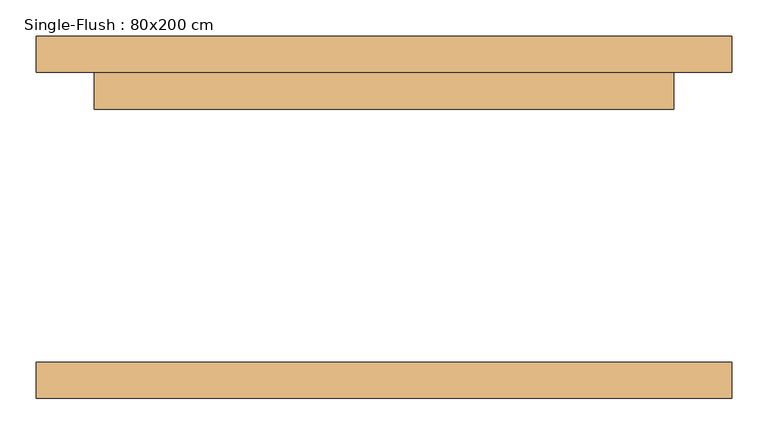
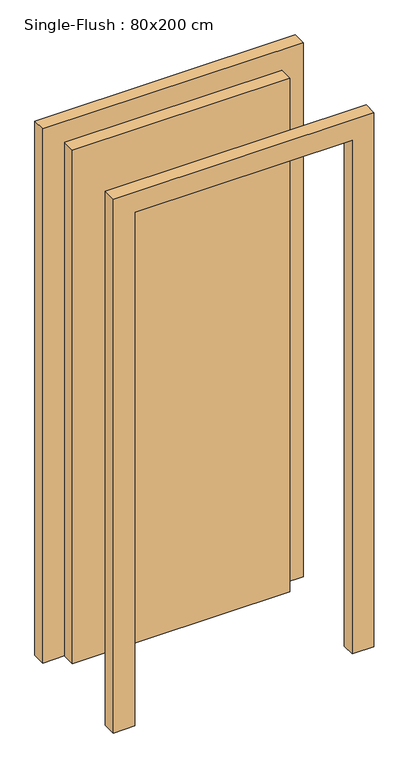
"""IFC4 building model written with IfcOpenShell, lengths in millimetres: door geometry, Single-Flush : 80x200 cm."""

import ifcopenshell
import ifcopenshell.guid

model = None  # the IFC model being written
_history = None  # IfcOwnerHistory: only IFC2X3 demands one
_inside = {}  # id of a spatial element -> (the spatial element, [elements in it])
_under = {}  # id of a project, library or spatial element -> (it, [spatial elements below it])
_declared = {}  # id of a project -> (the project, [libraries it declares])
_typed = {}  # id of a type object -> (the type object, [elements of that type])
_made_of = {}  # id of a material, layer set ... -> (it, [elements and type objects made of it])


def new_model(schema):
    """Start an empty IFC model of exactly this schema.

    Asked for "IFC4X3", IfcOpenShell would pick the latest addendum, in which some entities
    have other attributes; the version numbers below select the first issue.
    IFC2X3 requires an IfcOwnerHistory on every rooted entity: one is made here for all.
    """
    global model, _history
    if schema == "IFC4X3":
        model = ifcopenshell.file(schema_version=(4, 3, 0, 0))
    else:
        model = ifcopenshell.file(schema=schema)
    _inside.clear()
    _under.clear()
    _declared.clear()
    _typed.clear()
    _made_of.clear()
    _history = None
    if model.schema == "IFC2X3":
        org = make("IfcOrganization", Name="unknown")
        user = make(
            "IfcPersonAndOrganization",
            ThePerson=make("IfcPerson", FamilyName="unknown"),
            TheOrganization=org,
        )
        app = make(
            "IfcApplication",
            ApplicationDeveloper=org,
            Version="unknown",
            ApplicationFullName="unknown",
            ApplicationIdentifier="unknown",
        )
        _history = make(
            "IfcOwnerHistory",
            OwningUser=user,
            OwningApplication=app,
            ChangeAction="ADDED",
            CreationDate=0,
        )
    return model


def make(cls, **values):
    """One entity of the class cls with the attributes given. An attribute that is None is left unset."""
    return model.create_entity(
        cls, **{name: value for name, value in values.items() if value is not None}
    )


def rooted(cls, **values):
    """An entity with a GlobalId (a new one), such as an element, a storey or a relation."""
    return make(cls, GlobalId=ifcopenshell.guid.new(), OwnerHistory=_history, **values)


def si_unit(unit_type, name, prefix=None):
    """IfcSIUnit, for example si_unit("LENGTHUNIT", "METRE", prefix="MILLI")."""
    return make("IfcSIUnit", UnitType=unit_type, Prefix=prefix, Name=name)


def assignment(units):
    """IfcUnitAssignment: the units of a project."""
    return None if units is None else make("IfcUnitAssignment", Units=units)


def point(xyz):
    """IfcCartesianPoint."""
    return None if xyz is None else make("IfcCartesianPoint", Coordinates=xyz)


def direction(xyz):
    """IfcDirection."""
    return None if xyz is None else make("IfcDirection", DirectionRatios=xyz)


def frame(location, z_axis=None, x_axis=None):
    """IfcAxis2Placement3D, a coordinate frame: its origin and axes. An axis left out is left unset."""
    return make(
        "IfcAxis2Placement3D",
        Location=point(location),
        Axis=direction(z_axis),
        RefDirection=direction(x_axis),
    )


def origin():
    """The frame at (0, 0, 0) with its axes left unset."""
    return frame((0.0, 0.0, 0.0))


def origin_with_axes():
    """The frame at (0, 0, 0) with the z axis (0, 0, 1) and the x axis (1, 0, 0) written out."""
    return frame((0.0, 0.0, 0.0), z_axis=(0.0, 0.0, 1.0), x_axis=(1.0, 0.0, 0.0))


def place(relative_to, where):
    """IfcLocalPlacement: puts the frame where relative to a parent placement (None: the world)."""
    return make(
        "IfcLocalPlacement", PlacementRelTo=relative_to, RelativePlacement=where
    )


def context(
    kind, dimensions, precision=None, world=None, true_north=None, identifier=None
):
    """IfcGeometricRepresentationContext, for example the 3D "Model" context."""
    return make(
        "IfcGeometricRepresentationContext",
        ContextIdentifier=identifier,
        ContextType=kind,
        CoordinateSpaceDimension=dimensions,
        Precision=precision,
        WorldCoordinateSystem=world,
        TrueNorth=true_north,
    )


def project(units=None, contexts=None):
    """IfcProject with its units and contexts."""
    return rooted(
        "IfcProject",
        Name="project",
        RepresentationContexts=contexts,
        UnitsInContext=assignment(units),
    )


def spatial(cls, under=None, at=None, **own):
    """A site, building, storey or space (cls), placed at a placement, below another one or the project."""
    s = rooted(cls, ObjectPlacement=at, **own)
    if under is not None:
        _under.setdefault(under.id(), (under, []))[1].append(s)
    return s


def polyline(points):
    """IfcPolyline through the points."""
    return make("IfcPolyline", Points=[point(p) for p in points])


def outline(outer, holes=None, kind="AREA"):
    """IfcArbitraryClosedProfileDef: a profile drawn as a closed curve; with holes, ...WithVoids."""
    if holes is None:
        return make("IfcArbitraryClosedProfileDef", ProfileType=kind, OuterCurve=outer)
    return make(
        "IfcArbitraryProfileDefWithVoids",
        ProfileType=kind,
        OuterCurve=outer,
        InnerCurves=holes,
    )


def extrude(swept, where, along, depth):
    """IfcExtrudedAreaSolid: the profile swept, set in the frame where, extruded along a direction by depth."""
    return make(
        "IfcExtrudedAreaSolid",
        SweptArea=swept,
        Position=where,
        ExtrudedDirection=direction(along),
        Depth=depth,
    )


def shape(context_of_items, identifier, shape_type, items):
    """IfcShapeRepresentation: the items that make up one representation, for example the "Body"."""
    return make(
        "IfcShapeRepresentation",
        ContextOfItems=context_of_items,
        RepresentationIdentifier=identifier,
        RepresentationType=shape_type,
        Items=items,
    )


def source(mapping_origin, context_of_items, identifier, shape_type, items):
    """IfcRepresentationMap: a shape defined once, which mapped items show again and again."""
    return make(
        "IfcRepresentationMap",
        MappingOrigin=mapping_origin,
        MappedRepresentation=shape(context_of_items, identifier, shape_type, items),
    )


def transform(
    local_origin,
    x_axis=None,
    y_axis=None,
    z_axis=None,
    scale=None,
    scale2=None,
    scale3=None,
    uniform=True,
):
    """IfcCartesianTransformationOperator3D, or its non-uniform kind. x_axis, y_axis, z_axis: its Axis1, 2, 3."""
    if uniform:
        return make(
            "IfcCartesianTransformationOperator3D",
            Axis1=direction(x_axis),
            Axis2=direction(y_axis),
            LocalOrigin=point(local_origin),
            Scale=scale,
            Axis3=direction(z_axis),
        )
    return make(
        "IfcCartesianTransformationOperator3DnonUniform",
        Axis1=direction(x_axis),
        Axis2=direction(y_axis),
        LocalOrigin=point(local_origin),
        Scale=scale,
        Axis3=direction(z_axis),
        Scale2=scale2,
        Scale3=scale3,
    )


def mapped(mapping_source, mapping_target):
    """IfcMappedItem: shows the shape of a source again, moved by a transform."""
    return make(
        "IfcMappedItem", MappingSource=mapping_source, MappingTarget=mapping_target
    )


def made_of(thing, what):
    """Note that an element or type object is made of a material, layer set ...; save() writes the relation."""
    if what is not None:
        _made_of.setdefault(what.id(), (what, []))[1].append(thing)
    return thing


def element(
    cls,
    number,
    at=None,
    inside=None,
    cuts=None,
    type_object=None,
    material=None,
    context=None,
    identifier="Body",
    shape_type=None,
    held_by="IfcProductDefinitionShape",
    body=None,
    shapes=None,
    **own,
):
    """One element of the class cls, such as IfcWall. Its Tag is "e" and its number.

    at: its placement. inside: the storey or other place that contains it. cuts: it is an
    opening in that element (IfcRelVoidsElement). A single representation is given by context,
    identifier, shape_type and body (its items); several are given by shapes. held_by: the class
    of the entity that holds the representations. save() writes the other relations.
    """
    e = rooted(cls, Tag="e%d" % number, ObjectPlacement=at, **own)
    if body is not None:
        shapes = [shape(context, identifier, shape_type, body)]
    if shapes is not None:
        e.Representation = make(held_by, Representations=shapes)
    if inside is not None:
        _inside.setdefault(inside.id(), (inside, []))[1].append(e)
    if cuts is not None:
        rooted(
            "IfcRelVoidsElement", RelatingBuildingElement=cuts, RelatedOpeningElement=e
        )
    if type_object is not None:
        _typed.setdefault(type_object.id(), (type_object, []))[1].append(e)
    return made_of(e, material)


def aggregate(whole, parts):
    """IfcRelAggregates: a whole, such as a stair, and the parts it consists of."""
    return rooted("IfcRelAggregates", RelatingObject=whole, RelatedObjects=parts)


def save(model, path):
    """Write the relations noted so far, then the file.

    IfcRelAggregates (storeys below a building ...), IfcRelContainedInSpatialStructure (elements
    in a storey), IfcRelDefinesByType, IfcRelAssociatesMaterial and IfcRelDeclares: one each for
    every whole, place, type object, material and project.
    """
    for whole, parts in _under.values():
        aggregate(whole, parts)
    for where, things in _inside.values():
        rooted(
            "IfcRelContainedInSpatialStructure",
            RelatedElements=things,
            RelatingStructure=where,
        )
    for kind, things in _typed.values():
        rooted("IfcRelDefinesByType", RelatedObjects=things, RelatingType=kind)
    for what, things in _made_of.values():
        rooted("IfcRelAssociatesMaterial", RelatedObjects=things, RelatingMaterial=what)
    for by, libraries in _declared.values():
        rooted("IfcRelDeclares", RelatingContext=by, RelatedDefinitions=libraries)
    model.write(path)


def single_flush_80x200_cm_d6a33d69(model_context):
    return source(origin(), model_context, "Body", "SweptSolid", [
        extrude(outline(polyline([(2080.0, -480.0), (0.0, -480.0), (0.0, -400.0), (2000.0, -400.0), (2000.0, 400.0), (0.0, 400.0), (0.0, 480.0), (2080.0, 480.0), (2080.0, -480.0)])), frame((0.0, 200.0, 0.0), z_axis=(0.0, 1.0, 0.0), x_axis=(0.0, 0.0, 1.0)), (0.0, 0.0, 1.0), 50.0),
        extrude(outline(polyline([(2080.0, 480.0), (2080.0, -480.0), (0.0, -480.0), (0.0, -400.0), (2000.0, -400.0), (2000.0, 400.0), (0.0, 400.0), (0.0, 480.0), (2080.0, 480.0)])), frame((0.0, -250.0, 0.0), z_axis=(0.0, 1.0, 0.0), x_axis=(0.0, 0.0, 1.0)), (0.0, 0.0, 1.0), 50.0),
        extrude(outline(polyline([(400.0, 149.2), (-400.0, 149.2), (-400.0, 200.0), (400.0, 200.0), (400.0, 149.2)])), origin_with_axes(), (0.0, 0.0, 1.0), 2000.0),
    ])


if __name__ == "__main__":
    model = new_model("IFC4")
    model_context = context("Model", 3, world=origin())
    ifc_project = project(units=[si_unit("LENGTHUNIT", "METRE", prefix="MILLI")], contexts=[model_context])
    site = spatial("IfcSite", under=ifc_project)
    building = spatial("IfcBuilding", under=site)
    placement = place(None, origin())
    single_flush_80x200_cm_shape = single_flush_80x200_cm_d6a33d69(model_context)
    element("IfcDoor", 1, ObjectType="Single-Flush : 80x200 cm", at=placement, inside=building, context=model_context, shape_type="MappedRepresentation", body=[
        mapped(single_flush_80x200_cm_shape, transform((0.0, 0.0, 0.0), x_axis=(1.0, 0.0, 0.0), y_axis=(0.0, 1.0, 0.0), z_axis=(0.0, 0.0, 1.0))),
    ])
    save(model, "model.ifc")
